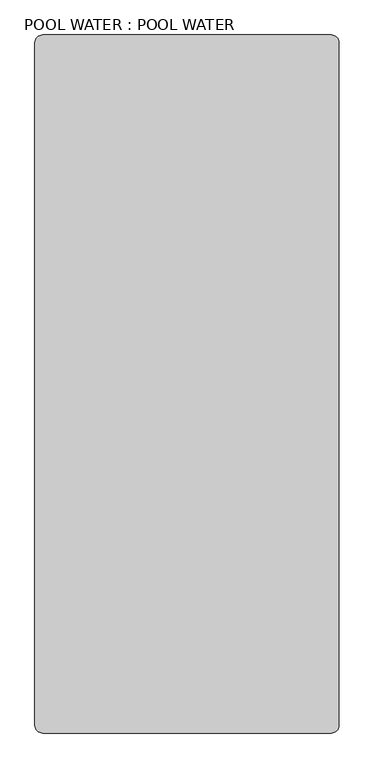
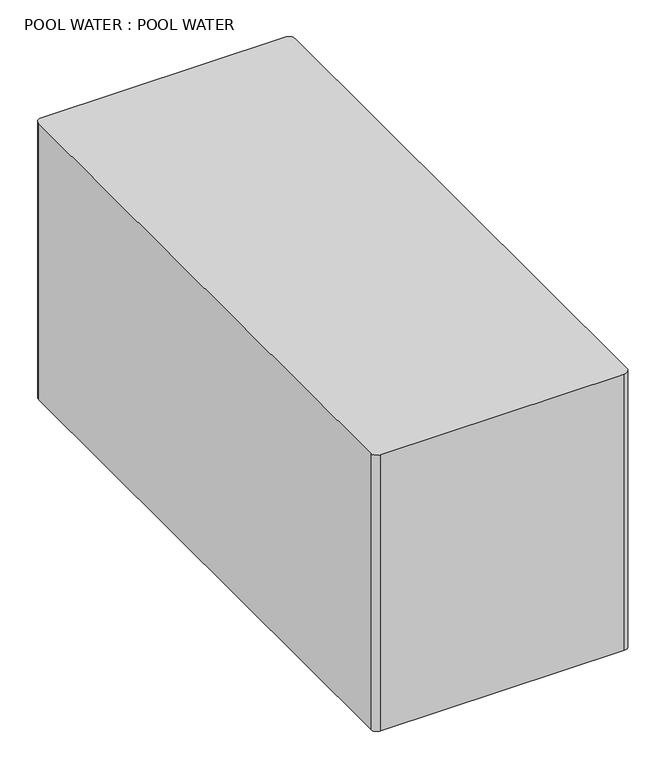
"""IFC4 building model written with IfcOpenShell, lengths in millimetres: geographic element geometry, POOL WATER : POOL WATER."""

from ifc_helpers import new_model, si_unit, point, frame, frame_2d, origin, place, context, project, spatial, polyline, circle_curve, trimmed, segment, composite_curve, outline, extrude, source, transform, mapped, element, save


def pool_water_pool_water_90cab7f6(model_context):
    return source(origin(), model_context, "Body", "SweptSolid", [
        extrude(outline(composite_curve([segment(trimmed(circle_curve(frame_2d((20461.2440621, 1230.1483634)), 38.1), [point((20499.3440621, 1230.1483634))], [point((20461.2440621, 1192.0483634))], False, "CARTESIAN"), True, "CONTINUOUS"), segment(polyline([(20461.2440621, 1192.0483634), (19064.2440621, 1192.0483634)]), True, "CONTINUOUS"), segment(trimmed(circle_curve(frame_2d((19064.2440621, 1230.1483634)), 38.1), [point((19064.2440621, 1192.0483634))], [point((19026.1440621, 1230.1483634))], False, "CARTESIAN"), True, "CONTINUOUS"), segment(polyline([(19026.1440621, 1230.1483634), (19026.1440621, 4531.3646516)]), True, "CONTINUOUS"), segment(trimmed(circle_curve(frame_2d((19064.2440621, 4531.3646516)), 38.1), [point((19026.1440621, 4531.3646516))], [point((19064.2440621, 4569.4646516))], False, "CARTESIAN"), True, "CONTINUOUS"), segment(polyline([(19064.2440621, 4569.4646516), (20461.2440621, 4569.4646516)]), True, "CONTINUOUS"), segment(trimmed(circle_curve(frame_2d((20461.2440621, 4531.3646516)), 38.1), [point((20461.2440621, 4569.4646516))], [point((20499.3440621, 4531.3646516))], False, "CARTESIAN"), True, "CONTINUOUS"), segment(polyline([(20499.3440621, 4531.3646516), (20499.3440621, 1230.1483634)]), True, "CONTINUOUS")], self_intersect=False)), frame((0.0, 0.0, -1828.8), z_axis=(0.0, 0.0, 1.0), x_axis=(1.0, 0.0, 0.0)), (0.0, 0.0, 1.0), 1676.4),
    ])


if __name__ == "__main__":
    model = new_model("IFC4")
    model_context = context("Model", 3, world=origin())
    ifc_project = project(units=[si_unit("LENGTHUNIT", "METRE", prefix="MILLI")], contexts=[model_context])
    site = spatial("IfcSite", under=ifc_project)
    building = spatial("IfcBuilding", under=site)
    placement = place(None, origin())
    pool_water_pool_water_shape = pool_water_pool_water_90cab7f6(model_context)
    element("IfcGeographicElement", 1, ObjectType="POOL WATER : POOL WATER", at=placement, inside=building, context=model_context, shape_type="MappedRepresentation", body=[
        mapped(pool_water_pool_water_shape, transform((0.0, 0.0, 0.0), x_axis=(1.0, 0.0, 0.0), y_axis=(0.0, 1.0, 0.0), z_axis=(0.0, 0.0, 1.0))),
    ])
    save(model, "model.ifc")
